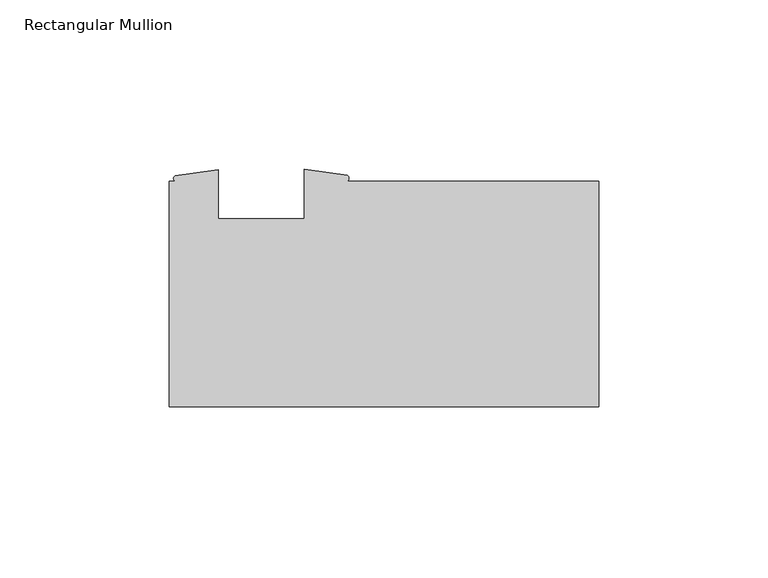
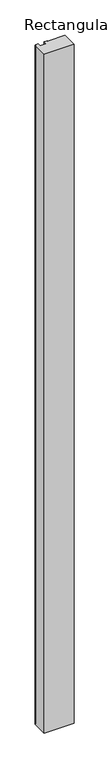
"""IFC4 building model written with IfcOpenShell, lengths in millimetres: member geometry, Rectangular Mullion."""

import ifcopenshell
import ifcopenshell.guid

model = None  # the IFC model being written
_history = None  # IfcOwnerHistory: only IFC2X3 demands one
_inside = {}  # id of a spatial element -> (the spatial element, [elements in it])
_under = {}  # id of a project, library or spatial element -> (it, [spatial elements below it])
_declared = {}  # id of a project -> (the project, [libraries it declares])
_typed = {}  # id of a type object -> (the type object, [elements of that type])
_made_of = {}  # id of a material, layer set ... -> (it, [elements and type objects made of it])


def new_model(schema):
    """Start an empty IFC model of exactly this schema.

    Asked for "IFC4X3", IfcOpenShell would pick the latest addendum, in which some entities
    have other attributes; the version numbers below select the first issue.
    IFC2X3 requires an IfcOwnerHistory on every rooted entity: one is made here for all.
    """
    global model, _history
    if schema == "IFC4X3":
        model = ifcopenshell.file(schema_version=(4, 3, 0, 0))
    else:
        model = ifcopenshell.file(schema=schema)
    _inside.clear()
    _under.clear()
    _declared.clear()
    _typed.clear()
    _made_of.clear()
    _history = None
    if model.schema == "IFC2X3":
        org = make("IfcOrganization", Name="unknown")
        user = make(
            "IfcPersonAndOrganization",
            ThePerson=make("IfcPerson", FamilyName="unknown"),
            TheOrganization=org,
        )
        app = make(
            "IfcApplication",
            ApplicationDeveloper=org,
            Version="unknown",
            ApplicationFullName="unknown",
            ApplicationIdentifier="unknown",
        )
        _history = make(
            "IfcOwnerHistory",
            OwningUser=user,
            OwningApplication=app,
            ChangeAction="ADDED",
            CreationDate=0,
        )
    return model


def make(cls, **values):
    """One entity of the class cls with the attributes given. An attribute that is None is left unset."""
    return model.create_entity(
        cls, **{name: value for name, value in values.items() if value is not None}
    )


def rooted(cls, **values):
    """An entity with a GlobalId (a new one), such as an element, a storey or a relation."""
    return make(cls, GlobalId=ifcopenshell.guid.new(), OwnerHistory=_history, **values)


def si_unit(unit_type, name, prefix=None):
    """IfcSIUnit, for example si_unit("LENGTHUNIT", "METRE", prefix="MILLI")."""
    return make("IfcSIUnit", UnitType=unit_type, Prefix=prefix, Name=name)


def assignment(units):
    """IfcUnitAssignment: the units of a project."""
    return None if units is None else make("IfcUnitAssignment", Units=units)


def point(xyz):
    """IfcCartesianPoint."""
    return None if xyz is None else make("IfcCartesianPoint", Coordinates=xyz)


def direction(xyz):
    """IfcDirection."""
    return None if xyz is None else make("IfcDirection", DirectionRatios=xyz)


def frame(location, z_axis=None, x_axis=None):
    """IfcAxis2Placement3D, a coordinate frame: its origin and axes. An axis left out is left unset."""
    return make(
        "IfcAxis2Placement3D",
        Location=point(location),
        Axis=direction(z_axis),
        RefDirection=direction(x_axis),
    )


def frame_2d(location, x_axis=None):
    """IfcAxis2Placement2D, a coordinate frame in the plane: its origin and x axis."""
    return make(
        "IfcAxis2Placement2D", Location=point(location), RefDirection=direction(x_axis)
    )


def origin():
    """The frame at (0, 0, 0) with its axes left unset."""
    return frame((0.0, 0.0, 0.0))


def place(relative_to, where):
    """IfcLocalPlacement: puts the frame where relative to a parent placement (None: the world)."""
    return make(
        "IfcLocalPlacement", PlacementRelTo=relative_to, RelativePlacement=where
    )


def context(
    kind, dimensions, precision=None, world=None, true_north=None, identifier=None
):
    """IfcGeometricRepresentationContext, for example the 3D "Model" context."""
    return make(
        "IfcGeometricRepresentationContext",
        ContextIdentifier=identifier,
        ContextType=kind,
        CoordinateSpaceDimension=dimensions,
        Precision=precision,
        WorldCoordinateSystem=world,
        TrueNorth=true_north,
    )


def project(units=None, contexts=None):
    """IfcProject with its units and contexts."""
    return rooted(
        "IfcProject",
        Name="project",
        RepresentationContexts=contexts,
        UnitsInContext=assignment(units),
    )


def spatial(cls, under=None, at=None, **own):
    """A site, building, storey or space (cls), placed at a placement, below another one or the project."""
    s = rooted(cls, ObjectPlacement=at, **own)
    if under is not None:
        _under.setdefault(under.id(), (under, []))[1].append(s)
    return s


def polyline(points):
    """IfcPolyline through the points."""
    return make("IfcPolyline", Points=[point(p) for p in points])


def circle_curve(where, radius):
    """IfcCircle in the frame where."""
    return make("IfcCircle", Position=where, Radius=radius)


def trimmed(basis, trim1, trim2, sense, master):
    """IfcTrimmedCurve: the piece of a basis curve between two trims."""
    return make(
        "IfcTrimmedCurve",
        BasisCurve=basis,
        Trim1=trim1,
        Trim2=trim2,
        SenseAgreement=sense,
        MasterRepresentation=master,
    )


def segment(curve, same_sense, transition):
    """IfcCompositeCurveSegment."""
    return make(
        "IfcCompositeCurveSegment",
        Transition=transition,
        SameSense=same_sense,
        ParentCurve=curve,
    )


def composite_curve(segments, self_intersect=None):
    """IfcCompositeCurve: segments joined end to end."""
    return make("IfcCompositeCurve", Segments=segments, SelfIntersect=self_intersect)


def outline(outer, holes=None, kind="AREA"):
    """IfcArbitraryClosedProfileDef: a profile drawn as a closed curve; with holes, ...WithVoids."""
    if holes is None:
        return make("IfcArbitraryClosedProfileDef", ProfileType=kind, OuterCurve=outer)
    return make(
        "IfcArbitraryProfileDefWithVoids",
        ProfileType=kind,
        OuterCurve=outer,
        InnerCurves=holes,
    )


def extrude(swept, where, along, depth):
    """IfcExtrudedAreaSolid: the profile swept, set in the frame where, extruded along a direction by depth."""
    return make(
        "IfcExtrudedAreaSolid",
        SweptArea=swept,
        Position=where,
        ExtrudedDirection=direction(along),
        Depth=depth,
    )


def shape(context_of_items, identifier, shape_type, items):
    """IfcShapeRepresentation: the items that make up one representation, for example the "Body"."""
    return make(
        "IfcShapeRepresentation",
        ContextOfItems=context_of_items,
        RepresentationIdentifier=identifier,
        RepresentationType=shape_type,
        Items=items,
    )


def source(mapping_origin, context_of_items, identifier, shape_type, items):
    """IfcRepresentationMap: a shape defined once, which mapped items show again and again."""
    return make(
        "IfcRepresentationMap",
        MappingOrigin=mapping_origin,
        MappedRepresentation=shape(context_of_items, identifier, shape_type, items),
    )


def transform(
    local_origin,
    x_axis=None,
    y_axis=None,
    z_axis=None,
    scale=None,
    scale2=None,
    scale3=None,
    uniform=True,
):
    """IfcCartesianTransformationOperator3D, or its non-uniform kind. x_axis, y_axis, z_axis: its Axis1, 2, 3."""
    if uniform:
        return make(
            "IfcCartesianTransformationOperator3D",
            Axis1=direction(x_axis),
            Axis2=direction(y_axis),
            LocalOrigin=point(local_origin),
            Scale=scale,
            Axis3=direction(z_axis),
        )
    return make(
        "IfcCartesianTransformationOperator3DnonUniform",
        Axis1=direction(x_axis),
        Axis2=direction(y_axis),
        LocalOrigin=point(local_origin),
        Scale=scale,
        Axis3=direction(z_axis),
        Scale2=scale2,
        Scale3=scale3,
    )


def mapped(mapping_source, mapping_target):
    """IfcMappedItem: shows the shape of a source again, moved by a transform."""
    return make(
        "IfcMappedItem", MappingSource=mapping_source, MappingTarget=mapping_target
    )


def made_of(thing, what):
    """Note that an element or type object is made of a material, layer set ...; save() writes the relation."""
    if what is not None:
        _made_of.setdefault(what.id(), (what, []))[1].append(thing)
    return thing


def element(
    cls,
    number,
    at=None,
    inside=None,
    cuts=None,
    type_object=None,
    material=None,
    context=None,
    identifier="Body",
    shape_type=None,
    held_by="IfcProductDefinitionShape",
    body=None,
    shapes=None,
    **own,
):
    """One element of the class cls, such as IfcWall. Its Tag is "e" and its number.

    at: its placement. inside: the storey or other place that contains it. cuts: it is an
    opening in that element (IfcRelVoidsElement). A single representation is given by context,
    identifier, shape_type and body (its items); several are given by shapes. held_by: the class
    of the entity that holds the representations. save() writes the other relations.
    """
    e = rooted(cls, Tag="e%d" % number, ObjectPlacement=at, **own)
    if body is not None:
        shapes = [shape(context, identifier, shape_type, body)]
    if shapes is not None:
        e.Representation = make(held_by, Representations=shapes)
    if inside is not None:
        _inside.setdefault(inside.id(), (inside, []))[1].append(e)
    if cuts is not None:
        rooted(
            "IfcRelVoidsElement", RelatingBuildingElement=cuts, RelatedOpeningElement=e
        )
    if type_object is not None:
        _typed.setdefault(type_object.id(), (type_object, []))[1].append(e)
    return made_of(e, material)


def aggregate(whole, parts):
    """IfcRelAggregates: a whole, such as a stair, and the parts it consists of."""
    return rooted("IfcRelAggregates", RelatingObject=whole, RelatedObjects=parts)


def save(model, path):
    """Write the relations noted so far, then the file.

    IfcRelAggregates (storeys below a building ...), IfcRelContainedInSpatialStructure (elements
    in a storey), IfcRelDefinesByType, IfcRelAssociatesMaterial and IfcRelDeclares: one each for
    every whole, place, type object, material and project.
    """
    for whole, parts in _under.values():
        aggregate(whole, parts)
    for where, things in _inside.values():
        rooted(
            "IfcRelContainedInSpatialStructure",
            RelatedElements=things,
            RelatingStructure=where,
        )
    for kind, things in _typed.values():
        rooted("IfcRelDefinesByType", RelatedObjects=things, RelatingType=kind)
    for what, things in _made_of.values():
        rooted("IfcRelAssociatesMaterial", RelatedObjects=things, RelatingMaterial=what)
    for by, libraries in _declared.values():
        rooted("IfcRelDeclares", RelatingContext=by, RelatedDefinitions=libraries)
    model.write(path)


def rectangular_mullion_a23ec27a(model_context):
    return source(origin(), model_context, "Body", "SweptSolid", [
        extrude(outline(composite_curve([segment(polyline([(-74.3234222, 33.3375), (0.0, 33.3375), (0.0, -33.3375), (-127.0, -33.3375), (-127.0, 33.3375), (-125.2677625, 33.3375)]), True, "CONTINUOUS"), segment(trimmed(circle_curve(frame_2d((-124.8061261, 34.1304481)), 0.9175374), [point((-125.2677625, 33.3375))], [point((-125.2677625, 34.9233963))], False, "CARTESIAN"), True, "CONTINUOUS"), segment(polyline([(-125.2677625, 34.9233963), (-112.496475, 36.7335), (-112.496475, 22.225), (-87.096475, 22.225), (-87.096475, 36.8570217), (-74.3234222, 35.0009044)]), True, "CONTINUOUS"), segment(trimmed(circle_curve(frame_2d((-74.8443079, 34.1692022)), 0.9813513), [point((-74.3234222, 35.0009044))], [point((-74.3234222, 33.3375))], False, "CARTESIAN"), True, "CONTINUOUS")], self_intersect=False)), frame((0.0, 0.0, -3048.0), z_axis=(0.0, 0.0, 1.0), x_axis=(1.0, 0.0, 0.0)), (0.0, 0.0, 1.0), 3048.0),
    ])


if __name__ == "__main__":
    model = new_model("IFC4")
    model_context = context("Model", 3, world=origin())
    ifc_project = project(units=[si_unit("LENGTHUNIT", "METRE", prefix="MILLI")], contexts=[model_context])
    site = spatial("IfcSite", under=ifc_project)
    building = spatial("IfcBuilding", under=site)
    placement = place(None, origin())
    rectangular_mullion_shape = rectangular_mullion_a23ec27a(model_context)
    element("IfcMember", 1, ObjectType="Rectangular Mullion", at=placement, inside=building, context=model_context, shape_type="MappedRepresentation", body=[
        mapped(rectangular_mullion_shape, transform((0.0, 0.0, 0.0), x_axis=(1.0, 0.0, 0.0), y_axis=(0.0, 1.0, 0.0), z_axis=(0.0, 0.0, 1.0))),
    ])
    save(model, "model.ifc")
